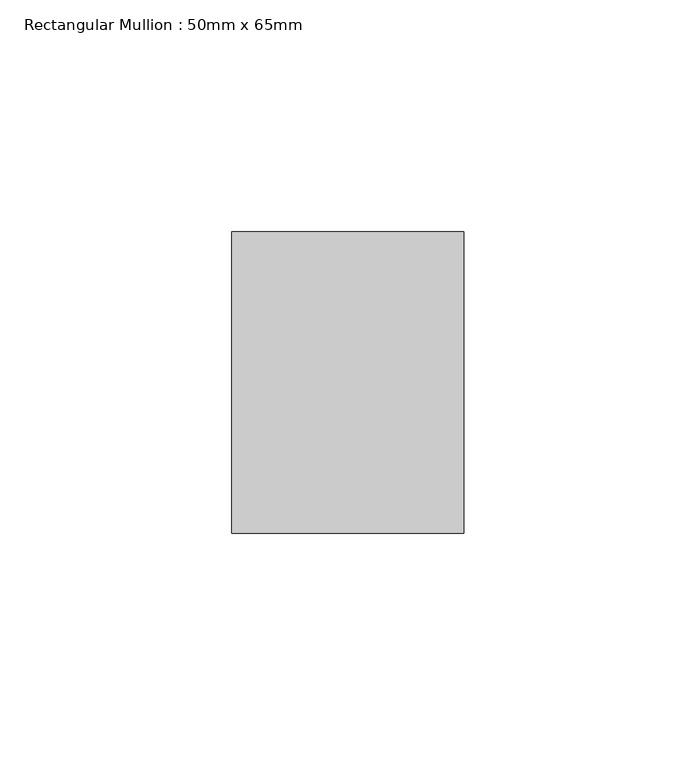
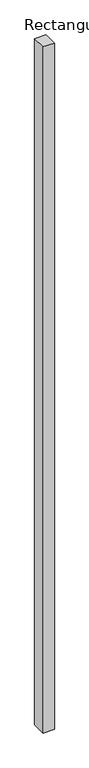
"""IFC4 building model written with IfcOpenShell, lengths in millimetres: member geometry, Rectangular Mullion : 50mm x 65mm."""

from ifc_helpers import new_model, si_unit, frame, origin, place, context, project, spatial, polyline, outline, extrude, source, transform, mapped, element, save


def rectangular_mullion_50mm_x_65mm_eb43bc56(model_context):
    return source(origin(), model_context, "Body", "SweptSolid", [
        extrude(outline(polyline([(25.0, 32.5), (25.0, -32.5), (-25.0, -32.5), (-25.0, 32.5), (25.0, 32.5)])), frame((0.0, 0.0, -3235.2672981), z_axis=(0.0, 0.0, 1.0), x_axis=(1.0, 0.0, 0.0)), (0.0, 0.0, 1.0), 3235.2672981),
    ])


if __name__ == "__main__":
    model = new_model("IFC4")
    model_context = context("Model", 3, world=origin())
    ifc_project = project(units=[si_unit("LENGTHUNIT", "METRE", prefix="MILLI")], contexts=[model_context])
    site = spatial("IfcSite", under=ifc_project)
    building = spatial("IfcBuilding", under=site)
    placement = place(None, origin())
    rectangular_mullion_50mm_x_65mm_shape = rectangular_mullion_50mm_x_65mm_eb43bc56(model_context)
    element("IfcMember", 1, ObjectType="Rectangular Mullion : 50mm x 65mm", at=placement, inside=building, context=model_context, shape_type="MappedRepresentation", body=[
        mapped(rectangular_mullion_50mm_x_65mm_shape, transform((0.0, 0.0, 0.0), x_axis=(1.0, 0.0, 0.0), y_axis=(0.0, 1.0, 0.0), z_axis=(0.0, 0.0, 1.0))),
    ])
    save(model, "model.ifc")
